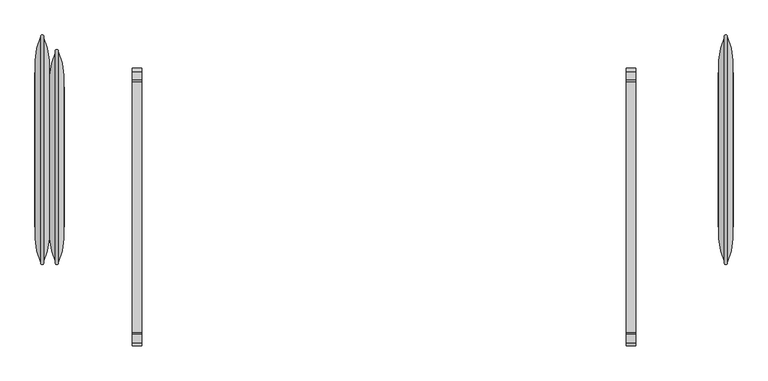
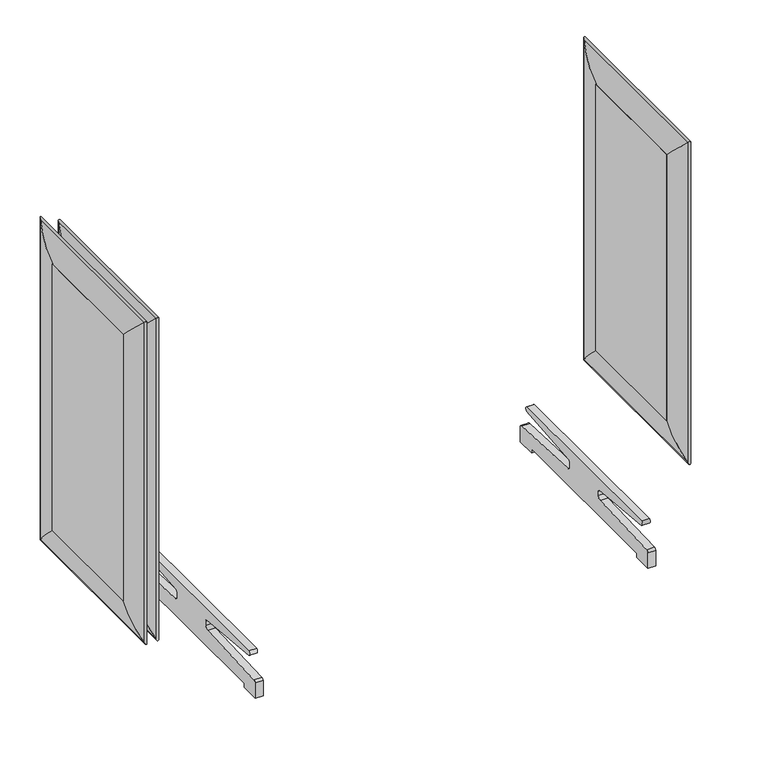
"""IFC4 building model written with IfcOpenShell, lengths in millimetres: furniture geometry."""

from ifc_helpers import new_model, si_unit, point, frame, frame_2d, origin, place, context, project, spatial, polyline, circle_curve, ellipse_curve, trimmed, segment, composite_curve, outline, extrude, source, transform, mapped, element, save
from ifc_brep_helpers import plane_surface, cylinder_surface, advanced_brep


def furniture_56c2b28a(model_context):
    return source(origin(), model_context, "Body", "SolidModel", [
        advanced_brep(
        [(874.0720019, -73.025, 1163.5628297), (874.0720019, -73.025, 238.959069), (888.816915, -166.1563317, 145.8277373), (888.816915, -166.1563317, 1256.6941614), (910.2779981, -73.025, 1163.5628297), (910.2779981, -73.025, 238.959069), (895.533085, -166.1563317, 1256.6941614), (895.533085, -166.1563317, 145.8277373), (874.0720019, 330.2, 238.959069), (888.816915, 423.3313317, 145.8277373), (910.2779981, 330.2, 238.959069), (895.533085, 423.3313317, 145.8277373), (874.0720019, 330.2, 1163.5628297), (888.816915, 423.3313317, 1256.6941614), (910.2779981, 330.2, 1163.5628297), (895.533085, 423.3313317, 1256.6941614)],
        [
            (0, 1),
            (1, 2, ellipse_curve(frame((1057.4693158, -91.7217286, 220.2623404), z_axis=(0.0, -0.7071067811865475, 0.7071067811865475), x_axis=(0.0, 0.7071067811865474, 0.7071067811865476)), 260.707278, 184.3478842)),
            (2, 3),
            (3, 0, ellipse_curve(frame((1057.4693158, -91.7217286, 1182.2595584), z_axis=(0.0, -0.7071067811865475, -0.7071067811865475), x_axis=(0.0, -0.7071067811865474, 0.7071067811865476)), 260.707278, 184.3478842)),
            (4, 5),
            (5, 1),
            (0, 4),
            (6, 7),
            (7, 5, ellipse_curve(frame((726.8806842, -91.7217286, 220.2623404), z_axis=(0.0, -0.7071067811865475, 0.7071067811865475), x_axis=(0.0, 0.7071067811865474, 0.7071067811865476)), 260.707278, 184.3478842)),
            (4, 6, ellipse_curve(frame((726.8806842, -91.7217286, 1182.2595584), z_axis=(0.0, -0.7071067811865475, -0.7071067811865475), x_axis=(0.0, -0.7071067811865474, 0.7071067811865476)), 260.707278, 184.3478842)),
            (2, 7, ellipse_curve(frame((892.175, -167.7744455, 144.2096235), z_axis=(0.0, -0.7071067811865475, 0.7071067811865475), x_axis=(0.0, 0.7071067811865474, 0.7071067811865476)), 5.2716273, 3.7276034)),
            (6, 3, ellipse_curve(frame((892.175, -167.7744455, 1258.3122753), z_axis=(0.0, -0.7071067811865475, -0.7071067811865475), x_axis=(0.0, -0.7071067811865474, 0.7071067811865476)), 5.2716273, 3.7276034)),
            (1, 8),
            (8, 9, ellipse_curve(frame((1057.4693158, 348.8967286, 220.2623404), z_axis=(0.0, -0.7071067811865475, -0.7071067811865475), x_axis=(0.0, -0.7071067811865476, 0.7071067811865474)), 260.707278, 184.3478842)),
            (9, 2),
            (5, 10),
            (10, 8),
            (7, 11),
            (11, 10, ellipse_curve(frame((726.8806842, 348.8967286, 220.2623404), z_axis=(0.0, -0.7071067811865475, -0.7071067811865475), x_axis=(0.0, -0.7071067811865476, 0.7071067811865474)), 260.707278, 184.3478842)),
            (9, 11, ellipse_curve(frame((892.175, 424.9494455, 144.2096235), z_axis=(0.0, -0.7071067811865475, -0.7071067811865475), x_axis=(0.0, -0.7071067811865476, 0.7071067811865474)), 5.2716273, 3.7276034)),
            (8, 12),
            (12, 13, ellipse_curve(frame((1057.4693158, 348.8967286, 1182.2595584), z_axis=(0.0, 0.7071067811865475, -0.7071067811865475), x_axis=(0.0, -0.7071067811865474, -0.7071067811865476)), 260.707278, 184.3478842)),
            (13, 9),
            (10, 14),
            (14, 12),
            (11, 15),
            (15, 14, ellipse_curve(frame((726.8806842, 348.8967286, 1182.2595584), z_axis=(0.0, 0.7071067811865475, -0.7071067811865475), x_axis=(0.0, -0.7071067811865474, -0.7071067811865476)), 260.707278, 184.3478842)),
            (13, 15, ellipse_curve(frame((892.175, 424.9494455, 1258.3122753), z_axis=(0.0, 0.7071067811865475, -0.7071067811865475), x_axis=(0.0, -0.7071067811865474, -0.7071067811865476)), 5.2716273, 3.7276034)),
            (12, 0),
            (3, 13),
            (14, 4),
            (15, 6),
        ],
        [
            cylinder_surface(frame((1057.4693158, -91.7217286, 1163.5628297), z_axis=(0.0, 0.0, 1.0), x_axis=(-1.0000000000000002, 0.0, 0.0)), 184.3478842),
            plane_surface(frame((874.0720019, -73.025, 1163.5628297), z_axis=(0.0, 1.0, 0.0), x_axis=(0.0, 0.0, -1.0))),
            cylinder_surface(frame((726.8806842, -91.7217286, 1163.5628297), z_axis=(0.0, 0.0, 1.0), x_axis=(-1.0000000000000002, 0.0, 0.0)), 184.3478842),
            cylinder_surface(frame((892.175, -167.7744455, 1163.5628297), z_axis=(0.0, 0.0, 1.0), x_axis=(-1.0000000000000002, 0.0, 0.0)), 3.7276034),
            cylinder_surface(frame((1057.4693158, -73.025, 220.2623404), z_axis=(0.0, -1.0000000000000002, 0.0), x_axis=(-1.0000000000000002, 0.0, 0.0)), 184.3478842),
            plane_surface(frame((874.0720019, -73.025, 238.959069), z_axis=(0.0, 0.0, 1.0), x_axis=(0.0, 1.0, 0.0))),
            cylinder_surface(frame((726.8806842, -73.025, 220.2623404), z_axis=(0.0, -1.0000000000000002, 0.0), x_axis=(-1.0000000000000002, 0.0, 0.0)), 184.3478842),
            cylinder_surface(frame((892.175, -73.025, 144.2096235), z_axis=(0.0, -1.0000000000000002, 0.0), x_axis=(-1.0000000000000002, 0.0, 0.0)), 3.7276034),
            cylinder_surface(frame((1057.4693158, 348.8967286, 238.959069), z_axis=(0.0, 0.0, -1.0), x_axis=(-1.0000000000000002, 0.0, 0.0)), 184.3478842),
            plane_surface(frame((874.0720019, 330.2, 238.959069), z_axis=(0.0, -1.0, 0.0), x_axis=(0.0, 0.0, 1.0))),
            cylinder_surface(frame((726.8806842, 348.8967286, 238.959069), z_axis=(0.0, 0.0, -1.0), x_axis=(-1.0000000000000002, 0.0, 0.0)), 184.3478842),
            cylinder_surface(frame((892.175, 424.9494455, 238.959069), z_axis=(0.0, 0.0, -1.0), x_axis=(-1.0000000000000002, 0.0, 0.0)), 3.7276034),
            cylinder_surface(frame((1057.4693158, 330.2, 1182.2595584), z_axis=(0.0, 1.0000000000000002, 0.0), x_axis=(-1.0000000000000002, 0.0, 0.0)), 184.3478842),
            plane_surface(frame((874.0720019, 330.2, 1163.5628297), z_axis=(0.0, 0.0, -1.0), x_axis=(0.0, -1.0, 0.0))),
            cylinder_surface(frame((726.8806842, 330.2, 1182.2595584), z_axis=(0.0, 1.0000000000000002, 0.0), x_axis=(-1.0000000000000002, 0.0, 0.0)), 184.3478842),
            cylinder_surface(frame((892.175, 330.2, 1258.3122753), z_axis=(0.0, 1.0000000000000002, 0.0), x_axis=(-1.0000000000000002, 0.0, 0.0)), 3.7276034),
        ],
        [
            (0, [[1, 2, 3, 4]]),
            (1, [[5, 6, -1, 7]]),
            (2, [[8, 9, -5, 10]]),
            (3, [[-3, 11, -8, 12]]),
            (4, [[13, 14, 15, -2]]),
            (5, [[16, 17, -13, -6]]),
            (6, [[18, 19, -16, -9]]),
            (7, [[-15, 20, -18, -11]]),
            (8, [[21, 22, 23, -14]]),
            (9, [[24, 25, -21, -17]]),
            (10, [[26, 27, -24, -19]]),
            (11, [[-23, 28, -26, -20]]),
            (12, [[29, -4, 30, -22]]),
            (13, [[31, -7, -29, -25]]),
            (14, [[32, -10, -31, -27]]),
            (15, [[-30, -12, -32, -28]]),
        ],
    ),
        extrude(outline(polyline([(911.225, 330.2), (911.225, -73.025), (873.125, -73.025), (873.125, 330.2), (911.225, 330.2)])), frame((0.0, 0.0, 238.959069), z_axis=(0.0, 0.0, 1.0), x_axis=(1.0, 0.0, 0.0)), (0.0, 0.0, 1.0), 924.6037607),
        advanced_brep(
        [(-835.9720019, -73.025, 1163.5628297), (-850.716915, -166.1563317, 1256.6941614), (-850.716915, -166.1563317, 145.8277373), (-835.9720019, -73.025, 238.959069), (-872.1779981, -73.025, 1163.5628297), (-872.1779981, -73.025, 238.959069), (-857.433085, -166.1563317, 1256.6941614), (-857.433085, -166.1563317, 145.8277373), (-850.716915, 385.2313317, 145.8277373), (-835.9720019, 292.1, 238.959069), (-872.1779981, 292.1, 238.959069), (-857.433085, 385.2313317, 145.8277373), (-850.716915, 385.2313317, 1256.6941614), (-835.9720019, 292.1, 1163.5628297), (-872.1779981, 292.1, 1163.5628297), (-857.433085, 385.2313317, 1256.6941614)],
        [
            (0, 1, ellipse_curve(frame((-1019.3693158, -91.7217286, 1182.2595584), z_axis=(0.0, -0.7071067811865475, -0.7071067811865475), x_axis=(0.0, -0.7071067811865474, 0.7071067811865476)), 260.707278, 184.3478842)),
            (1, 2),
            (2, 3, ellipse_curve(frame((-1019.3693158, -91.7217286, 220.2623404), z_axis=(0.0, -0.7071067811865475, 0.7071067811865475), x_axis=(0.0, 0.7071067811865474, 0.7071067811865476)), 260.707278, 184.3478842)),
            (3, 0),
            (4, 0),
            (3, 5),
            (5, 4),
            (6, 4, ellipse_curve(frame((-688.7806842, -91.7217286, 1182.2595584), z_axis=(0.0, -0.7071067811865475, -0.7071067811865475), x_axis=(0.0, -0.7071067811865474, 0.7071067811865476)), 260.707278, 184.3478842)),
            (5, 7, ellipse_curve(frame((-688.7806842, -91.7217286, 220.2623404), z_axis=(0.0, -0.7071067811865475, 0.7071067811865475), x_axis=(0.0, 0.7071067811865474, 0.7071067811865476)), 260.707278, 184.3478842)),
            (7, 6),
            (1, 6, ellipse_curve(frame((-854.075, -167.7744455, 1258.3122753), z_axis=(0.0, -0.7071067811865475, -0.7071067811865475), x_axis=(0.0, -0.7071067811865474, 0.7071067811865476)), 5.2716273, 3.7276034)),
            (7, 2, ellipse_curve(frame((-854.075, -167.7744455, 144.2096235), z_axis=(0.0, -0.7071067811865475, 0.7071067811865475), x_axis=(0.0, 0.7071067811865474, 0.7071067811865476)), 5.2716273, 3.7276034)),
            (2, 8),
            (8, 9, ellipse_curve(frame((-1019.3693158, 310.7967286, 220.2623404), z_axis=(0.0, -0.7071067811865475, -0.7071067811865475), x_axis=(0.0, -0.7071067811865476, 0.7071067811865474)), 260.707278, 184.3478842)),
            (9, 3),
            (9, 10),
            (10, 5),
            (10, 11, ellipse_curve(frame((-688.7806842, 310.7967286, 220.2623404), z_axis=(0.0, -0.7071067811865475, -0.7071067811865475), x_axis=(0.0, -0.7071067811865476, 0.7071067811865474)), 260.707278, 184.3478842)),
            (11, 7),
            (11, 8, ellipse_curve(frame((-854.075, 386.8494455, 144.2096235), z_axis=(0.0, -0.7071067811865475, -0.7071067811865475), x_axis=(0.0, -0.7071067811865476, 0.7071067811865474)), 5.2716273, 3.7276034)),
            (8, 12),
            (12, 13, ellipse_curve(frame((-1019.3693158, 310.7967286, 1182.2595584), z_axis=(0.0, 0.7071067811865475, -0.7071067811865475), x_axis=(0.0, -0.7071067811865474, -0.7071067811865476)), 260.707278, 184.3478842)),
            (13, 9),
            (13, 14),
            (14, 10),
            (14, 15, ellipse_curve(frame((-688.7806842, 310.7967286, 1182.2595584), z_axis=(0.0, 0.7071067811865475, -0.7071067811865475), x_axis=(0.0, -0.7071067811865474, -0.7071067811865476)), 260.707278, 184.3478842)),
            (15, 11),
            (15, 12, ellipse_curve(frame((-854.075, 386.8494455, 1258.3122753), z_axis=(0.0, 0.7071067811865475, -0.7071067811865475), x_axis=(0.0, -0.7071067811865474, -0.7071067811865476)), 5.2716273, 3.7276034)),
            (12, 1),
            (0, 13),
            (4, 14),
            (6, 15),
        ],
        [
            cylinder_surface(frame((-1019.3693158, -91.7217286, 1163.5628297), z_axis=(0.0, 0.0, 1.0), x_axis=(1.0000000000000002, 0.0, 0.0)), 184.3478842),
            plane_surface(frame((-835.9720019, -73.025, 1163.5628297), z_axis=(0.0, 1.0, 0.0), x_axis=(0.0, 0.0, -1.0))),
            cylinder_surface(frame((-688.7806842, -91.7217286, 1163.5628297), z_axis=(0.0, 0.0, 1.0), x_axis=(1.0000000000000002, 0.0, 0.0)), 184.3478842),
            cylinder_surface(frame((-854.075, -167.7744455, 1163.5628297), z_axis=(0.0, 0.0, 1.0), x_axis=(1.0000000000000002, 0.0, 0.0)), 3.7276034),
            cylinder_surface(frame((-1019.3693158, -73.025, 220.2623404), z_axis=(0.0, -1.0000000000000002, 0.0), x_axis=(1.0000000000000002, 0.0, 0.0)), 184.3478842),
            plane_surface(frame((-835.9720019, -73.025, 238.959069), z_axis=(0.0, 0.0, 1.0), x_axis=(0.0, 1.0, 0.0))),
            cylinder_surface(frame((-688.7806842, -73.025, 220.2623404), z_axis=(0.0, -1.0000000000000002, 0.0), x_axis=(1.0000000000000002, 0.0, 0.0)), 184.3478842),
            cylinder_surface(frame((-854.075, -73.025, 144.2096235), z_axis=(0.0, -1.0000000000000002, 0.0), x_axis=(1.0000000000000002, 0.0, 0.0)), 3.7276034),
            cylinder_surface(frame((-1019.3693158, 310.7967286, 238.959069), z_axis=(0.0, 0.0, -1.0), x_axis=(1.0000000000000002, 0.0, 0.0)), 184.3478842),
            plane_surface(frame((-835.9720019, 292.1, 238.959069), z_axis=(0.0, -1.0, 0.0), x_axis=(0.0, 0.0, 1.0))),
            cylinder_surface(frame((-688.7806842, 310.7967286, 238.959069), z_axis=(0.0, 0.0, -1.0), x_axis=(1.0000000000000002, 0.0, 0.0)), 184.3478842),
            cylinder_surface(frame((-854.075, 386.8494455, 238.959069), z_axis=(0.0, 0.0, -1.0), x_axis=(1.0000000000000002, 0.0, 0.0)), 3.7276034),
            cylinder_surface(frame((-1019.3693158, 292.1, 1182.2595584), z_axis=(0.0, 1.0000000000000002, 0.0), x_axis=(1.0000000000000002, 0.0, 0.0)), 184.3478842),
            plane_surface(frame((-835.9720019, 292.1, 1163.5628297), z_axis=(0.0, 0.0, -1.0), x_axis=(0.0, -1.0, 0.0))),
            cylinder_surface(frame((-688.7806842, 292.1, 1182.2595584), z_axis=(0.0, 1.0000000000000002, 0.0), x_axis=(1.0000000000000002, 0.0, 0.0)), 184.3478842),
            cylinder_surface(frame((-854.075, 292.1, 1258.3122753), z_axis=(0.0, 1.0000000000000002, 0.0), x_axis=(1.0000000000000002, 0.0, 0.0)), 3.7276034),
        ],
        [
            (0, [[1, 2, 3, 4]]),
            (1, [[5, -4, 6, 7]]),
            (2, [[8, -7, 9, 10]]),
            (3, [[11, -10, 12, -2]]),
            (4, [[-3, 13, 14, 15]]),
            (5, [[-6, -15, 16, 17]]),
            (6, [[-9, -17, 18, 19]]),
            (7, [[-12, -19, 20, -13]]),
            (8, [[-14, 21, 22, 23]]),
            (9, [[-16, -23, 24, 25]]),
            (10, [[-18, -25, 26, 27]]),
            (11, [[-20, -27, 28, -21]]),
            (12, [[-22, 29, -1, 30]]),
            (13, [[-24, -30, -5, 31]]),
            (14, [[-26, -31, -8, 32]]),
            (15, [[-28, -32, -11, -29]]),
        ],
    ),
        extrude(outline(polyline([(-873.125, 292.1), (-835.025, 292.1), (-835.025, -73.025), (-873.125, -73.025), (-873.125, 292.1)])), frame((0.0, 0.0, 238.959069), z_axis=(0.0, 0.0, 1.0), x_axis=(1.0, 0.0, 0.0)), (0.0, 0.0, 1.0), 924.6037607),
        advanced_brep(
        [(-874.0720019, -73.025, 1163.5628297), (-888.816915, -166.1563317, 1256.6941614), (-888.816915, -166.1563317, 145.8277373), (-874.0720019, -73.025, 238.959069), (-910.2779981, -73.025, 1163.5628297), (-910.2779981, -73.025, 238.959069), (-895.533085, -166.1563317, 1256.6941614), (-895.533085, -166.1563317, 145.8277373), (-888.816915, 423.3313317, 145.8277373), (-874.0720019, 330.2, 238.959069), (-910.2779981, 330.2, 238.959069), (-895.533085, 423.3313317, 145.8277373), (-888.816915, 423.3313317, 1256.6941614), (-874.0720019, 330.2, 1163.5628297), (-910.2779981, 330.2, 1163.5628297), (-895.533085, 423.3313317, 1256.6941614)],
        [
            (0, 1, ellipse_curve(frame((-1057.4693158, -91.7217286, 1182.2595584), z_axis=(0.0, -0.7071067811865475, -0.7071067811865475), x_axis=(0.0, -0.7071067811865474, 0.7071067811865476)), 260.707278, 184.3478842)),
            (1, 2),
            (2, 3, ellipse_curve(frame((-1057.4693158, -91.7217286, 220.2623404), z_axis=(0.0, -0.7071067811865475, 0.7071067811865475), x_axis=(0.0, 0.7071067811865474, 0.7071067811865476)), 260.707278, 184.3478842)),
            (3, 0),
            (4, 0),
            (3, 5),
            (5, 4),
            (6, 4, ellipse_curve(frame((-726.8806842, -91.7217286, 1182.2595584), z_axis=(0.0, -0.7071067811865475, -0.7071067811865475), x_axis=(0.0, -0.7071067811865474, 0.7071067811865476)), 260.707278, 184.3478842)),
            (5, 7, ellipse_curve(frame((-726.8806842, -91.7217286, 220.2623404), z_axis=(0.0, -0.7071067811865475, 0.7071067811865475), x_axis=(0.0, 0.7071067811865474, 0.7071067811865476)), 260.707278, 184.3478842)),
            (7, 6),
            (1, 6, ellipse_curve(frame((-892.175, -167.7744455, 1258.3122753), z_axis=(0.0, -0.7071067811865475, -0.7071067811865475), x_axis=(0.0, -0.7071067811865474, 0.7071067811865476)), 5.2716273, 3.7276034)),
            (7, 2, ellipse_curve(frame((-892.175, -167.7744455, 144.2096235), z_axis=(0.0, -0.7071067811865475, 0.7071067811865475), x_axis=(0.0, 0.7071067811865474, 0.7071067811865476)), 5.2716273, 3.7276034)),
            (2, 8),
            (8, 9, ellipse_curve(frame((-1057.4693158, 348.8967286, 220.2623404), z_axis=(0.0, -0.7071067811865475, -0.7071067811865475), x_axis=(0.0, -0.7071067811865476, 0.7071067811865474)), 260.707278, 184.3478842)),
            (9, 3),
            (9, 10),
            (10, 5),
            (10, 11, ellipse_curve(frame((-726.8806842, 348.8967286, 220.2623404), z_axis=(0.0, -0.7071067811865475, -0.7071067811865475), x_axis=(0.0, -0.7071067811865476, 0.7071067811865474)), 260.707278, 184.3478842)),
            (11, 7),
            (11, 8, ellipse_curve(frame((-892.175, 424.9494455, 144.2096235), z_axis=(0.0, -0.7071067811865475, -0.7071067811865475), x_axis=(0.0, -0.7071067811865476, 0.7071067811865474)), 5.2716273, 3.7276034)),
            (8, 12),
            (12, 13, ellipse_curve(frame((-1057.4693158, 348.8967286, 1182.2595584), z_axis=(0.0, 0.7071067811865475, -0.7071067811865475), x_axis=(0.0, -0.7071067811865474, -0.7071067811865476)), 260.707278, 184.3478842)),
            (13, 9),
            (13, 14),
            (14, 10),
            (14, 15, ellipse_curve(frame((-726.8806842, 348.8967286, 1182.2595584), z_axis=(0.0, 0.7071067811865475, -0.7071067811865475), x_axis=(0.0, -0.7071067811865474, -0.7071067811865476)), 260.707278, 184.3478842)),
            (15, 11),
            (15, 12, ellipse_curve(frame((-892.175, 424.9494455, 1258.3122753), z_axis=(0.0, 0.7071067811865475, -0.7071067811865475), x_axis=(0.0, -0.7071067811865474, -0.7071067811865476)), 5.2716273, 3.7276034)),
            (12, 1),
            (0, 13),
            (4, 14),
            (6, 15),
        ],
        [
            cylinder_surface(frame((-1057.4693158, -91.7217286, 1163.5628297), z_axis=(0.0, 0.0, 1.0), x_axis=(1.0000000000000002, 0.0, 0.0)), 184.3478842),
            plane_surface(frame((-874.0720019, -73.025, 1163.5628297), z_axis=(0.0, 1.0, 0.0), x_axis=(0.0, 0.0, -1.0))),
            cylinder_surface(frame((-726.8806842, -91.7217286, 1163.5628297), z_axis=(0.0, 0.0, 1.0), x_axis=(1.0000000000000002, 0.0, 0.0)), 184.3478842),
            cylinder_surface(frame((-892.175, -167.7744455, 1163.5628297), z_axis=(0.0, 0.0, 1.0), x_axis=(1.0000000000000002, 0.0, 0.0)), 3.7276034),
            cylinder_surface(frame((-1057.4693158, -73.025, 220.2623404), z_axis=(0.0, -1.0000000000000002, 0.0), x_axis=(1.0000000000000002, 0.0, 0.0)), 184.3478842),
            plane_surface(frame((-874.0720019, -73.025, 238.959069), z_axis=(0.0, 0.0, 1.0), x_axis=(0.0, 1.0, 0.0))),
            cylinder_surface(frame((-726.8806842, -73.025, 220.2623404), z_axis=(0.0, -1.0000000000000002, 0.0), x_axis=(1.0000000000000002, 0.0, 0.0)), 184.3478842),
            cylinder_surface(frame((-892.175, -73.025, 144.2096235), z_axis=(0.0, -1.0000000000000002, 0.0), x_axis=(1.0000000000000002, 0.0, 0.0)), 3.7276034),
            cylinder_surface(frame((-1057.4693158, 348.8967286, 238.959069), z_axis=(0.0, 0.0, -1.0), x_axis=(1.0000000000000002, 0.0, 0.0)), 184.3478842),
            plane_surface(frame((-874.0720019, 330.2, 238.959069), z_axis=(0.0, -1.0, 0.0), x_axis=(0.0, 0.0, 1.0))),
            cylinder_surface(frame((-726.8806842, 348.8967286, 238.959069), z_axis=(0.0, 0.0, -1.0), x_axis=(1.0000000000000002, 0.0, 0.0)), 184.3478842),
            cylinder_surface(frame((-892.175, 424.9494455, 238.959069), z_axis=(0.0, 0.0, -1.0), x_axis=(1.0000000000000002, 0.0, 0.0)), 3.7276034),
            cylinder_surface(frame((-1057.4693158, 330.2, 1182.2595584), z_axis=(0.0, 1.0000000000000002, 0.0), x_axis=(1.0000000000000002, 0.0, 0.0)), 184.3478842),
            plane_surface(frame((-874.0720019, 330.2, 1163.5628297), z_axis=(0.0, 0.0, -1.0), x_axis=(0.0, -1.0, 0.0))),
            cylinder_surface(frame((-726.8806842, 330.2, 1182.2595584), z_axis=(0.0, 1.0000000000000002, 0.0), x_axis=(1.0000000000000002, 0.0, 0.0)), 184.3478842),
            cylinder_surface(frame((-892.175, 330.2, 1258.3122753), z_axis=(0.0, 1.0000000000000002, 0.0), x_axis=(1.0000000000000002, 0.0, 0.0)), 3.7276034),
        ],
        [
            (0, [[1, 2, 3, 4]]),
            (1, [[5, -4, 6, 7]]),
            (2, [[8, -7, 9, 10]]),
            (3, [[11, -10, 12, -2]]),
            (4, [[-3, 13, 14, 15]]),
            (5, [[-6, -15, 16, 17]]),
            (6, [[-9, -17, 18, 19]]),
            (7, [[-12, -19, 20, -13]]),
            (8, [[-14, 21, 22, 23]]),
            (9, [[-16, -23, 24, 25]]),
            (10, [[-18, -25, 26, 27]]),
            (11, [[-20, -27, 28, -21]]),
            (12, [[-22, 29, -1, 30]]),
            (13, [[-24, -30, -5, 31]]),
            (14, [[-26, -31, -8, 32]]),
            (15, [[-28, -32, -11, -29]]),
        ],
    ),
        extrude(outline(polyline([(-911.225, 330.2), (-873.125, 330.2), (-873.125, -73.025), (-911.225, -73.025), (-911.225, 330.2)])), frame((0.0, 0.0, 238.959069), z_axis=(0.0, 0.0, 1.0), x_axis=(1.0, 0.0, 0.0)), (0.0, 0.0, 1.0), 924.6037607),
        extrude(outline(composite_curve([segment(trimmed(circle_curve(frame_2d((301.6025981, 135.0287131)), 8.2813281), [point((305.0998594, 142.5353474))], [point((304.4846526, 127.2650698))], False, "CARTESIAN"), True, "CONTINUOUS"), segment(polyline([(304.4846526, 127.2650698), (67.9746703, 105.9960919)]), True, "CONTINUOUS"), segment(trimmed(circle_curve(frame_2d((67.9746703, 97.554557)), 8.4415349), [point((67.9746703, 105.9960919))], [point((59.5331354, 97.554557))], True, "CARTESIAN"), True, "CONTINUOUS"), segment(polyline([(59.5331354, 97.554557), (59.5331354, 81.9730579)]), True, "CONTINUOUS"), segment(trimmed(circle_curve(frame_2d((70.0389157, 81.9730579)), 10.5057802), [point((59.5331354, 81.9730579))], [point((70.0389157, 71.4672776))], True, "CARTESIAN"), True, "CONTINUOUS"), segment(polyline([(70.0389157, 71.4672776), (333.1747619, 60.2417308)]), True, "CONTINUOUS"), segment(trimmed(circle_curve(frame_2d((332.8044735, 51.5618743)), 8.6877512), [point((333.1747619, 60.2417308))], [point((341.2881636, 53.4337784))], False, "CARTESIAN"), True, "CONTINUOUS"), segment(polyline([(341.2881636, 53.4337784), (341.2881636, 0.0), (277.6339056, 0.0), (277.6339056, 13.4697401), (-320.5207421, 13.4697401), (-320.5207421, 0.0), (-384.175, 0.0), (-384.175, 53.4337784)]), True, "CONTINUOUS"), segment(trimmed(circle_curve(frame_2d((-375.69131, 51.5618743)), 8.6877512), [point((-384.175, 53.4337784))], [point((-376.0615983, 60.2417308))], False, "CARTESIAN"), True, "CONTINUOUS"), segment(polyline([(-376.0615983, 60.2417308), (-112.9257521, 71.4672776)]), True, "CONTINUOUS"), segment(trimmed(circle_curve(frame_2d((-112.9257521, 81.9730579)), 10.5057802), [point((-112.9257521, 71.4672776))], [point((-102.4199718, 81.9730579))], True, "CARTESIAN"), True, "CONTINUOUS"), segment(polyline([(-102.4199718, 81.9730579), (-102.4199718, 97.554557)]), True, "CONTINUOUS"), segment(trimmed(circle_curve(frame_2d((-110.8615067, 97.554557)), 8.4415349), [point((-102.4199718, 97.554557))], [point((-110.8615067, 105.9960919))], True, "CARTESIAN"), True, "CONTINUOUS"), segment(polyline([(-110.8615067, 105.9960919), (-347.371489, 127.2650698)]), True, "CONTINUOUS"), segment(trimmed(circle_curve(frame_2d((-344.4894345, 135.0287131)), 8.2813281), [point((-347.371489, 127.2650698))], [point((-347.9866958, 142.5353474))], False, "CARTESIAN"), True, "CONTINUOUS"), segment(polyline([(-347.9866958, 142.5353474), (305.0998594, 142.5353474)]), True, "CONTINUOUS")], self_intersect=False)), frame((631.825, 0.0, 0.0), z_axis=(1.0, 0.0, 0.0), x_axis=(0.0, 1.0, 0.0)), (0.0, 0.0, 1.0), 25.4),
        extrude(outline(composite_curve([segment(trimmed(circle_curve(frame_2d((301.6025981, 135.0287131)), 8.2813281), [point((305.0998594, 142.5353474))], [point((304.4846526, 127.2650698))], False, "CARTESIAN"), True, "CONTINUOUS"), segment(polyline([(304.4846526, 127.2650698), (67.9746703, 105.9960919)]), True, "CONTINUOUS"), segment(trimmed(circle_curve(frame_2d((67.9746703, 97.554557)), 8.4415349), [point((67.9746703, 105.9960919))], [point((59.5331354, 97.554557))], True, "CARTESIAN"), True, "CONTINUOUS"), segment(polyline([(59.5331354, 97.554557), (59.5331354, 81.9730579)]), True, "CONTINUOUS"), segment(trimmed(circle_curve(frame_2d((70.0389157, 81.9730579)), 10.5057802), [point((59.5331354, 81.9730579))], [point((70.0389157, 71.4672776))], True, "CARTESIAN"), True, "CONTINUOUS"), segment(polyline([(70.0389157, 71.4672776), (333.1747619, 60.2417308)]), True, "CONTINUOUS"), segment(trimmed(circle_curve(frame_2d((332.8044735, 51.5618743)), 8.6877512), [point((333.1747619, 60.2417308))], [point((341.2881636, 53.4337784))], False, "CARTESIAN"), True, "CONTINUOUS"), segment(polyline([(341.2881636, 53.4337784), (341.2881636, 0.0), (277.6339056, 0.0), (277.6339056, 13.4697401), (-320.5207421, 13.4697401), (-320.5207421, 0.0), (-384.175, 0.0), (-384.175, 53.4337784)]), True, "CONTINUOUS"), segment(trimmed(circle_curve(frame_2d((-375.69131, 51.5618743)), 8.6877512), [point((-384.175, 53.4337784))], [point((-376.0615983, 60.2417308))], False, "CARTESIAN"), True, "CONTINUOUS"), segment(polyline([(-376.0615983, 60.2417308), (-112.9257521, 71.4672776)]), True, "CONTINUOUS"), segment(trimmed(circle_curve(frame_2d((-112.9257521, 81.9730579)), 10.5057802), [point((-112.9257521, 71.4672776))], [point((-102.4199718, 81.9730579))], True, "CARTESIAN"), True, "CONTINUOUS"), segment(polyline([(-102.4199718, 81.9730579), (-102.4199718, 97.554557)]), True, "CONTINUOUS"), segment(trimmed(circle_curve(frame_2d((-110.8615067, 97.554557)), 8.4415349), [point((-102.4199718, 97.554557))], [point((-110.8615067, 105.9960919))], True, "CARTESIAN"), True, "CONTINUOUS"), segment(polyline([(-110.8615067, 105.9960919), (-347.371489, 127.2650698)]), True, "CONTINUOUS"), segment(trimmed(circle_curve(frame_2d((-344.4894345, 135.0287131)), 8.2813281), [point((-347.371489, 127.2650698))], [point((-347.9866958, 142.5353474))], False, "CARTESIAN"), True, "CONTINUOUS"), segment(polyline([(-347.9866958, 142.5353474), (305.0998594, 142.5353474)]), True, "CONTINUOUS")], self_intersect=False)), frame((-657.225, 0.0, 0.0), z_axis=(1.0, 0.0, 0.0), x_axis=(0.0, 1.0, 0.0)), (0.0, 0.0, 1.0), 25.4),
    ])


if __name__ == "__main__":
    model = new_model("IFC4")
    model_context = context("Model", 3, world=origin())
    ifc_project = project(units=[si_unit("LENGTHUNIT", "METRE", prefix="MILLI")], contexts=[model_context])
    site = spatial("IfcSite", under=ifc_project)
    building = spatial("IfcBuilding", under=site)
    placement = place(None, origin())
    furniture_shape = furniture_56c2b28a(model_context)
    element("IfcFurniture", 1, at=placement, inside=building, context=model_context, shape_type="MappedRepresentation", body=[
        mapped(furniture_shape, transform((0.0, 0.0, 0.0), x_axis=(1.0, 0.0, 0.0), y_axis=(0.0, 1.0, 0.0), z_axis=(0.0, 0.0, 1.0))),
    ])
    save(model, "model.ifc")
